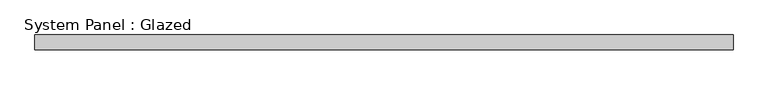
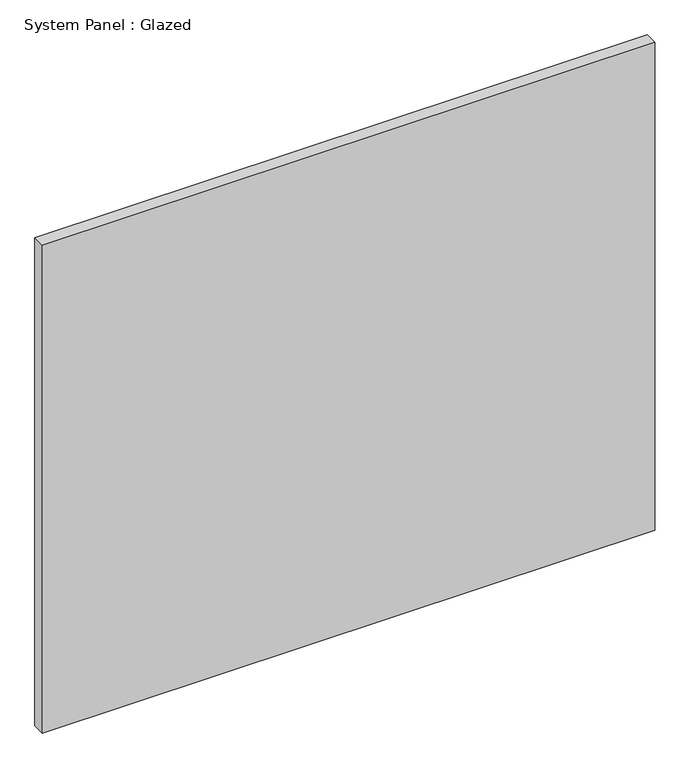
"""IFC4 building model written with IfcOpenShell, lengths in millimetres: plate geometry, System Panel : Glazed."""

import ifcopenshell
import ifcopenshell.guid

model = None  # the IFC model being written
_history = None  # IfcOwnerHistory: only IFC2X3 demands one
_inside = {}  # id of a spatial element -> (the spatial element, [elements in it])
_under = {}  # id of a project, library or spatial element -> (it, [spatial elements below it])
_declared = {}  # id of a project -> (the project, [libraries it declares])
_typed = {}  # id of a type object -> (the type object, [elements of that type])
_made_of = {}  # id of a material, layer set ... -> (it, [elements and type objects made of it])


def new_model(schema):
    """Start an empty IFC model of exactly this schema.

    Asked for "IFC4X3", IfcOpenShell would pick the latest addendum, in which some entities
    have other attributes; the version numbers below select the first issue.
    IFC2X3 requires an IfcOwnerHistory on every rooted entity: one is made here for all.
    """
    global model, _history
    if schema == "IFC4X3":
        model = ifcopenshell.file(schema_version=(4, 3, 0, 0))
    else:
        model = ifcopenshell.file(schema=schema)
    _inside.clear()
    _under.clear()
    _declared.clear()
    _typed.clear()
    _made_of.clear()
    _history = None
    if model.schema == "IFC2X3":
        org = make("IfcOrganization", Name="unknown")
        user = make(
            "IfcPersonAndOrganization",
            ThePerson=make("IfcPerson", FamilyName="unknown"),
            TheOrganization=org,
        )
        app = make(
            "IfcApplication",
            ApplicationDeveloper=org,
            Version="unknown",
            ApplicationFullName="unknown",
            ApplicationIdentifier="unknown",
        )
        _history = make(
            "IfcOwnerHistory",
            OwningUser=user,
            OwningApplication=app,
            ChangeAction="ADDED",
            CreationDate=0,
        )
    return model


def make(cls, **values):
    """One entity of the class cls with the attributes given. An attribute that is None is left unset."""
    return model.create_entity(
        cls, **{name: value for name, value in values.items() if value is not None}
    )


def rooted(cls, **values):
    """An entity with a GlobalId (a new one), such as an element, a storey or a relation."""
    return make(cls, GlobalId=ifcopenshell.guid.new(), OwnerHistory=_history, **values)


def si_unit(unit_type, name, prefix=None):
    """IfcSIUnit, for example si_unit("LENGTHUNIT", "METRE", prefix="MILLI")."""
    return make("IfcSIUnit", UnitType=unit_type, Prefix=prefix, Name=name)


def assignment(units):
    """IfcUnitAssignment: the units of a project."""
    return None if units is None else make("IfcUnitAssignment", Units=units)


def point(xyz):
    """IfcCartesianPoint."""
    return None if xyz is None else make("IfcCartesianPoint", Coordinates=xyz)


def direction(xyz):
    """IfcDirection."""
    return None if xyz is None else make("IfcDirection", DirectionRatios=xyz)


def frame(location, z_axis=None, x_axis=None):
    """IfcAxis2Placement3D, a coordinate frame: its origin and axes. An axis left out is left unset."""
    return make(
        "IfcAxis2Placement3D",
        Location=point(location),
        Axis=direction(z_axis),
        RefDirection=direction(x_axis),
    )


def origin():
    """The frame at (0, 0, 0) with its axes left unset."""
    return frame((0.0, 0.0, 0.0))


def origin_with_axes():
    """The frame at (0, 0, 0) with the z axis (0, 0, 1) and the x axis (1, 0, 0) written out."""
    return frame((0.0, 0.0, 0.0), z_axis=(0.0, 0.0, 1.0), x_axis=(1.0, 0.0, 0.0))


def place(relative_to, where):
    """IfcLocalPlacement: puts the frame where relative to a parent placement (None: the world)."""
    return make(
        "IfcLocalPlacement", PlacementRelTo=relative_to, RelativePlacement=where
    )


def context(
    kind, dimensions, precision=None, world=None, true_north=None, identifier=None
):
    """IfcGeometricRepresentationContext, for example the 3D "Model" context."""
    return make(
        "IfcGeometricRepresentationContext",
        ContextIdentifier=identifier,
        ContextType=kind,
        CoordinateSpaceDimension=dimensions,
        Precision=precision,
        WorldCoordinateSystem=world,
        TrueNorth=true_north,
    )


def project(units=None, contexts=None):
    """IfcProject with its units and contexts."""
    return rooted(
        "IfcProject",
        Name="project",
        RepresentationContexts=contexts,
        UnitsInContext=assignment(units),
    )


def spatial(cls, under=None, at=None, **own):
    """A site, building, storey or space (cls), placed at a placement, below another one or the project."""
    s = rooted(cls, ObjectPlacement=at, **own)
    if under is not None:
        _under.setdefault(under.id(), (under, []))[1].append(s)
    return s


def polyline(points):
    """IfcPolyline through the points."""
    return make("IfcPolyline", Points=[point(p) for p in points])


def outline(outer, holes=None, kind="AREA"):
    """IfcArbitraryClosedProfileDef: a profile drawn as a closed curve; with holes, ...WithVoids."""
    if holes is None:
        return make("IfcArbitraryClosedProfileDef", ProfileType=kind, OuterCurve=outer)
    return make(
        "IfcArbitraryProfileDefWithVoids",
        ProfileType=kind,
        OuterCurve=outer,
        InnerCurves=holes,
    )


def extrude(swept, where, along, depth):
    """IfcExtrudedAreaSolid: the profile swept, set in the frame where, extruded along a direction by depth."""
    return make(
        "IfcExtrudedAreaSolid",
        SweptArea=swept,
        Position=where,
        ExtrudedDirection=direction(along),
        Depth=depth,
    )


def shape(context_of_items, identifier, shape_type, items):
    """IfcShapeRepresentation: the items that make up one representation, for example the "Body"."""
    return make(
        "IfcShapeRepresentation",
        ContextOfItems=context_of_items,
        RepresentationIdentifier=identifier,
        RepresentationType=shape_type,
        Items=items,
    )


def source(mapping_origin, context_of_items, identifier, shape_type, items):
    """IfcRepresentationMap: a shape defined once, which mapped items show again and again."""
    return make(
        "IfcRepresentationMap",
        MappingOrigin=mapping_origin,
        MappedRepresentation=shape(context_of_items, identifier, shape_type, items),
    )


def transform(
    local_origin,
    x_axis=None,
    y_axis=None,
    z_axis=None,
    scale=None,
    scale2=None,
    scale3=None,
    uniform=True,
):
    """IfcCartesianTransformationOperator3D, or its non-uniform kind. x_axis, y_axis, z_axis: its Axis1, 2, 3."""
    if uniform:
        return make(
            "IfcCartesianTransformationOperator3D",
            Axis1=direction(x_axis),
            Axis2=direction(y_axis),
            LocalOrigin=point(local_origin),
            Scale=scale,
            Axis3=direction(z_axis),
        )
    return make(
        "IfcCartesianTransformationOperator3DnonUniform",
        Axis1=direction(x_axis),
        Axis2=direction(y_axis),
        LocalOrigin=point(local_origin),
        Scale=scale,
        Axis3=direction(z_axis),
        Scale2=scale2,
        Scale3=scale3,
    )


def mapped(mapping_source, mapping_target):
    """IfcMappedItem: shows the shape of a source again, moved by a transform."""
    return make(
        "IfcMappedItem", MappingSource=mapping_source, MappingTarget=mapping_target
    )


def made_of(thing, what):
    """Note that an element or type object is made of a material, layer set ...; save() writes the relation."""
    if what is not None:
        _made_of.setdefault(what.id(), (what, []))[1].append(thing)
    return thing


def element(
    cls,
    number,
    at=None,
    inside=None,
    cuts=None,
    type_object=None,
    material=None,
    context=None,
    identifier="Body",
    shape_type=None,
    held_by="IfcProductDefinitionShape",
    body=None,
    shapes=None,
    **own,
):
    """One element of the class cls, such as IfcWall. Its Tag is "e" and its number.

    at: its placement. inside: the storey or other place that contains it. cuts: it is an
    opening in that element (IfcRelVoidsElement). A single representation is given by context,
    identifier, shape_type and body (its items); several are given by shapes. held_by: the class
    of the entity that holds the representations. save() writes the other relations.
    """
    e = rooted(cls, Tag="e%d" % number, ObjectPlacement=at, **own)
    if body is not None:
        shapes = [shape(context, identifier, shape_type, body)]
    if shapes is not None:
        e.Representation = make(held_by, Representations=shapes)
    if inside is not None:
        _inside.setdefault(inside.id(), (inside, []))[1].append(e)
    if cuts is not None:
        rooted(
            "IfcRelVoidsElement", RelatingBuildingElement=cuts, RelatedOpeningElement=e
        )
    if type_object is not None:
        _typed.setdefault(type_object.id(), (type_object, []))[1].append(e)
    return made_of(e, material)


def aggregate(whole, parts):
    """IfcRelAggregates: a whole, such as a stair, and the parts it consists of."""
    return rooted("IfcRelAggregates", RelatingObject=whole, RelatedObjects=parts)


def save(model, path):
    """Write the relations noted so far, then the file.

    IfcRelAggregates (storeys below a building ...), IfcRelContainedInSpatialStructure (elements
    in a storey), IfcRelDefinesByType, IfcRelAssociatesMaterial and IfcRelDeclares: one each for
    every whole, place, type object, material and project.
    """
    for whole, parts in _under.values():
        aggregate(whole, parts)
    for where, things in _inside.values():
        rooted(
            "IfcRelContainedInSpatialStructure",
            RelatedElements=things,
            RelatingStructure=where,
        )
    for kind, things in _typed.values():
        rooted("IfcRelDefinesByType", RelatedObjects=things, RelatingType=kind)
    for what, things in _made_of.values():
        rooted("IfcRelAssociatesMaterial", RelatedObjects=things, RelatingMaterial=what)
    for by, libraries in _declared.values():
        rooted("IfcRelDeclares", RelatingContext=by, RelatedDefinitions=libraries)
    model.write(path)


def system_panel_glazed_0bb8092f(model_context):
    return source(origin(), model_context, "Body", "SweptSolid", [
        extrude(outline(polyline([(585.8286751, 24.5), (-585.8286751, 24.5), (-585.8286751, 49.5), (585.8286751, 49.5), (585.8286751, 24.5)])), origin_with_axes(), (0.0, 0.0, 1.0), 987.1494736),
    ])


if __name__ == "__main__":
    model = new_model("IFC4")
    model_context = context("Model", 3, world=origin())
    ifc_project = project(units=[si_unit("LENGTHUNIT", "METRE", prefix="MILLI")], contexts=[model_context])
    site = spatial("IfcSite", under=ifc_project)
    building = spatial("IfcBuilding", under=site)
    placement = place(None, origin())
    system_panel_glazed_shape = system_panel_glazed_0bb8092f(model_context)
    element("IfcPlate", 1, ObjectType="System Panel : Glazed", at=placement, inside=building, context=model_context, shape_type="MappedRepresentation", body=[
        mapped(system_panel_glazed_shape, transform((0.0, 0.0, 0.0), x_axis=(1.0, 0.0, 0.0), y_axis=(0.0, 1.0, 0.0), z_axis=(0.0, 0.0, 1.0))),
    ])
    save(model, "model.ifc")
